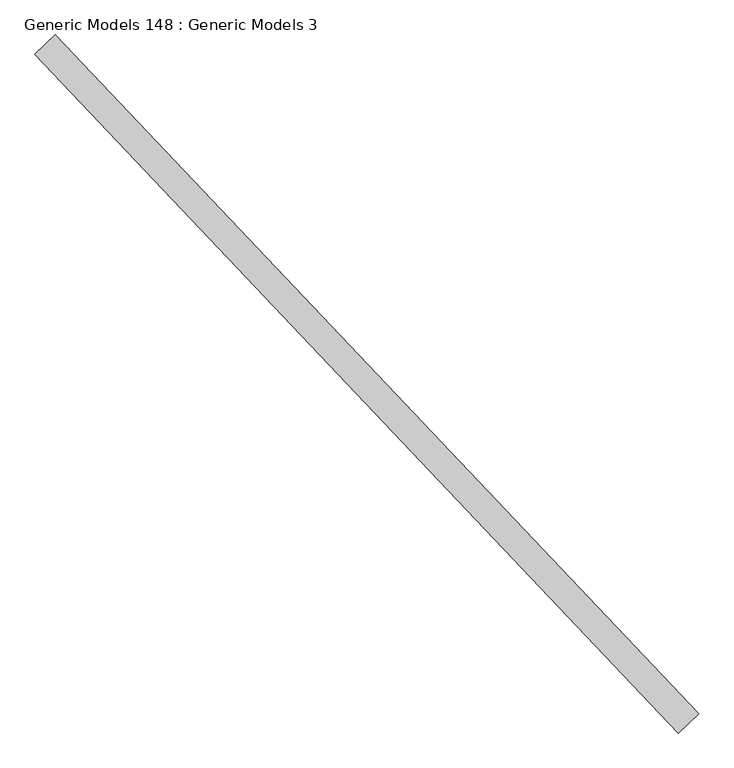
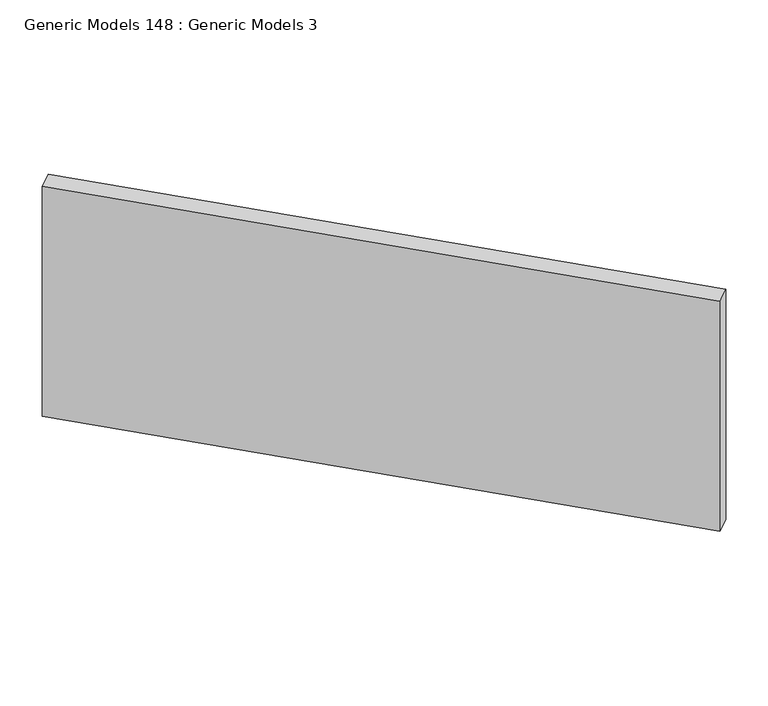
"""IFC4 building model written with IfcOpenShell, lengths in millimetres: proxy geometry, Generic Models 148 : Generic Models 3."""

from ifc_helpers import new_model, si_unit, frame, origin, place, context, project, spatial, polyline, outline, extrude, source, transform, mapped, element, save


def generic_models_148_generic_models_3_19030c1c(model_context):
    return source(origin(), model_context, "Body", "SweptSolid", [
        extrude(outline(polyline([(110463.1044199, 57126.9658702), (110562.1361559, 57220.9434786), (113680.8814409, 53934.4716815), (113581.8497049, 53840.4940731), (110463.1044199, 57126.9658702)])), frame((0.0, 0.0, 16065.8226197), z_axis=(0.0, 0.0, 1.0), x_axis=(1.0, 0.0, 0.0)), (0.0, 0.0, 1.0), 1801.8275183),
    ])


if __name__ == "__main__":
    model = new_model("IFC4")
    model_context = context("Model", 3, world=origin())
    ifc_project = project(units=[si_unit("LENGTHUNIT", "METRE", prefix="MILLI")], contexts=[model_context])
    site = spatial("IfcSite", under=ifc_project)
    building = spatial("IfcBuilding", under=site)
    placement = place(None, origin())
    generic_models_148_generic_models_3_shape = generic_models_148_generic_models_3_19030c1c(model_context)
    element("IfcBuildingElementProxy", 1, Name="Generic Models 148 : Generic Models 3", ObjectType="Generic Models 148 : Generic Models 3", at=placement, inside=building, context=model_context, shape_type="MappedRepresentation", body=[
        mapped(generic_models_148_generic_models_3_shape, transform((0.0, 0.0, 0.0), x_axis=(1.0, 0.0, 0.0), y_axis=(0.0, 1.0, 0.0), z_axis=(0.0, 0.0, 1.0))),
    ])
    save(model, "model.ifc")
